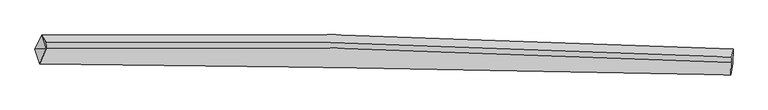
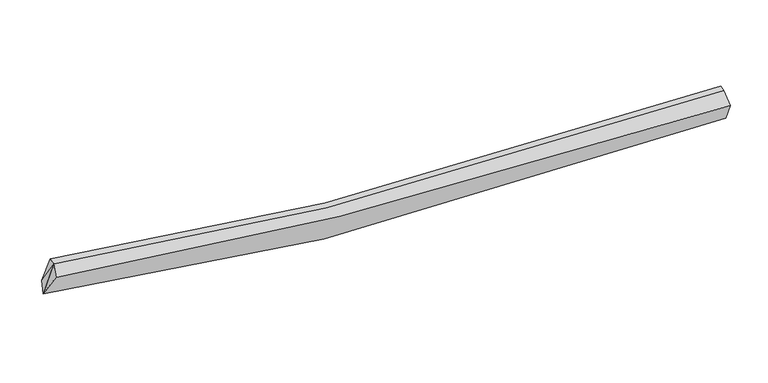
"""IFC4 building model written with IfcOpenShell, lengths in millimetres: proxy geometry."""

from ifc_helpers import new_model, si_unit, frame, origin, place, context, project, spatial, source, transform, mapped, element, save
from ifc_brep_helpers import plane_surface, spline_curve, spline_surface, advanced_brep


def generic_models_c0a5393c(model_context):
    return source(origin(), model_context, "Body", "AdvancedBrep", [
        advanced_brep(
        [(-7919.9698457, -1967.1959987, 3343.9109828), (-7748.8823986, -1607.2769914, 3445.4368712), (9611.2422752, -1968.0198419, 2381.1218941), (9598.0013105, -2328.9091709, 2263.5202583), (-7794.3011786, -2333.9416604, 3981.2680924), (9554.1085929, -2621.3959476, 2801.3071611), (-7639.7399957, -1955.035296, 4063.0270274), (9560.2602211, -2302.7696929, 3010.8785083), (-7634.004369, -1805.6584431, 4106.835267), (9565.6276457, -2162.9821786, 3051.8744512)],
        [
            (0, 1),
            (1, 2, spline_curve(3, [(-7748.8823986, -1607.2769914, 3445.4368712), (-5378.485870164, -1568.853497535, 2999.963670873), (-2987.32342928, -1567.530154768, 2678.742182044), (2779.962392445, -1653.077920101, 2207.757626532), (6175.508177108, -1774.648879455, 2174.207456316), (9611.2422752, -1968.0198419, 2381.1218941)], [4, 2, 4], [0.0, 24.03538564373816, 57.47224571131372])),
            (2, 3),
            (3, 0, spline_curve(3, [(9598.0013105, -2328.9091709, 2263.5202583), (6195.82393916, -2116.54051696, 1987.78008101), (2796.502505084, -1986.91508127, 1994.360517671), (-3041.440980981, -1906.33256547, 2490.932027323), (-5481.443266881, -1915.386943795, 2844.481833243), (-7919.9698457, -1967.1959987, 3343.9109828)], [4, 2, 4], [0.0, 33.43686006757556, 57.47224571131372])),
            (4, 0),
            (3, 5),
            (5, 4, spline_curve(3, [(9554.1085929, -2621.3959476, 2801.3071611), (6221.199547499, -2542.860723672, 2769.882111728), (2869.977839821, -2477.583989821, 2889.871444696), (-2921.675649291, -2388.173520946, 3356.368028703), (-5353.257198879, -2357.632159717, 3629.699006618), (-7794.3011786, -2333.9416604, 3981.2680924)], [4, 2, 4], [0.0, 33.40384292098358, 57.41549488130797])),
            (6, 4),
            (5, 7),
            (7, 6, spline_curve(3, [(9560.2602211, -2302.7696929, 3010.8785083), (6179.031510322, -2108.724517839, 2804.122096096), (2824.346722409, -1988.339302071, 2836.365647679), (-2896.158408862, -1908.026578143, 3302.586877023), (-5274.807026088, -1912.50032742, 3621.059498295), (-7639.7399957, -1955.035296, 4063.0270274)], [4, 2, 4], [0.0, 33.08982308067252, 56.87574846420688])),
            (8, 6),
            (7, 9),
            (9, 8, spline_curve(3, [(9565.6276457, -2162.9821786, 3051.8744512), (6184.299598009, -1971.52407896, 2844.359318668), (2829.61480994, -1851.138864035, 2876.602870358), (-2890.719577893, -1766.379398325, 3344.128210042), (-5269.245461438, -1767.656701895, 3663.538263781), (-7634.004369, -1805.6584431, 4106.835267)], [4, 2, 4], [0.0, 32.96713659732848, 56.664871375211206])),
            (1, 8),
            (9, 2),
            (1, 6),
            (6, 0),
        ],
        [
            spline_surface(3, 3, [[(-7919.9698457, -1967.1959987, 3343.9109828), (-5481.443266876, -1915.386943935, 2844.481832996), (-3041.440981364, -1906.332565737, 2490.93202768), (2796.502505616, -1986.915080899, 1994.360517175), (6195.823938824, -2116.540516527, 1987.780081027), (9598.0013105, -2328.9091709, 2263.5202583)], [(-7862.940696635, -1847.222996251, 3377.752945593), (-5447.124134477, -1799.87579519, 2896.309112284), (-3023.401797432, -1793.39842883, 2553.535412498), (2790.989134689, -1875.63602718, 2065.492886885), (6189.052018314, -2002.576637449, 2049.922539363), (9602.414965414, -2208.61272789, 2302.720803563)], [(-7805.911547665, -1727.249993849, 3411.594908407), (-5412.805002173, -1684.364646494, 2948.136391591), (-3005.362613495, -1680.464291929, 2616.138797359), (2785.475763767, -1764.356973466, 2136.625256637), (6182.280097761, -1888.612758402, 2112.064997709), (9606.828620286, -2088.31628491, 2341.921348837)], [(-7748.8823986, -1607.2769914, 3445.4368712), (-5378.485869774, -1568.853497749, 2999.963670879), (-2987.323429563, -1567.530155022, 2678.742182177), (2779.96239284, -1653.077919747, 2207.757626347), (6175.50817725, -1774.648879325, 2174.207456045), (9611.2422752, -1968.0198419, 2381.1218941)]], [4, 4], [4, 2, 4], [0.0, 1.2875724056625528], [0.0, 24.03538564373816, 57.47224571131372]),
            spline_surface(3, 3, [[(-7794.3011786, -2333.9416604, 3981.2680924), (-5353.257198649, -2357.632159332, 3629.699006247), (-2921.675649328, -2388.173520924, 3356.368028705), (2869.977839874, -2477.583989853, 2889.871444692), (6221.199547713, -2542.86072401, 2769.882111748), (9554.1085929, -2621.3959476, 2801.3071611)], [(-7836.19073431, -2211.693106516, 3768.815722558), (-5395.985888068, -2210.217087549, 3367.959948521), (-2961.597426646, -2227.559869206, 3067.889361709), (2845.486061815, -2314.027686879, 2591.367802199), (6212.74101141, -2400.753988191, 2509.181434822), (9568.739498759, -2523.900355375, 2622.044860147)], [(-7878.08028999, -2089.444552584, 3556.363352642), (-5438.714577457, -2062.802015718, 3106.220890722), (-3001.519204046, -2066.946217455, 2779.410694676), (2820.994283674, -2150.471383873, 2292.864159669), (6204.282475128, -2258.647252346, 2248.480757953), (9583.370404641, -2426.404763125, 2442.782559253)], [(-7919.9698457, -1967.1959987, 3343.9109828), (-5481.443266876, -1915.386943935, 2844.481832996), (-3041.440981364, -1906.332565737, 2490.93202768), (2796.502505616, -1986.915080899, 1994.360517175), (6195.823938824, -2116.540516527, 1987.780081027), (9598.0013105, -2328.9091709, 2263.5202583)]], [4, 4], [4, 2, 4], [0.0, 3.3001290189914876], [0.0, 24.011651960324397, 57.41549488130797]),
            spline_surface(3, 3, [[(-7639.7399957, -1955.035296, 4063.0270274), (-5274.807025966, -1912.500327462, 3621.059498356), (-2896.158408472, -1908.026577917, 3302.586877146), (2824.346721868, -1988.339302385, 2836.365647508), (6179.031509959, -2108.724517523, 2804.122095673), (9560.2602211, -2302.7696929, 3010.8785083)], [(-7691.260390013, -2081.337417475, 4035.774049072), (-5300.95708354, -2060.87760476, 3623.939334324), (-2904.664155451, -2068.075558909, 3320.51392767), (2839.55709451, -2151.420864864, 2854.20091324), (6193.087522527, -2253.436586332, 2792.708767724), (9558.20967835, -2408.978444447, 2941.021392593)], [(-7742.780784287, -2207.639538925, 4008.521070728), (-5327.107141075, -2209.254882034, 3626.819170278), (-2913.16990235, -2228.124539932, 3338.440978181), (2854.767467231, -2314.502427374, 2872.036178959), (6207.143535145, -2398.148655201, 2781.295439697), (9556.15913565, -2515.187196053, 2871.164276807)], [(-7794.3011786, -2333.9416604, 3981.2680924), (-5353.257198649, -2357.632159332, 3629.699006247), (-2921.675649328, -2388.173520924, 3356.368028705), (2869.977839874, -2477.583989853, 2889.871444692), (6221.199547713, -2542.86072401, 2769.882111748), (9554.1085929, -2621.3959476, 2801.3071611)]], [4, 4], [4, 2, 4], [0.0, 1.592511626204579], [0.0, 23.78592538353436, 56.87574846420688]),
            spline_surface(3, 3, [[(-7634.004369, -1805.6584431, 4106.835267), (-5269.245461707, -1767.656701936, 3663.538263493), (-2890.71957827, -1766.379398616, 3344.128210101), (2829.614810465, -1851.138863631, 2876.602870276), (6184.299598557, -1971.524078768, 2844.359318441), (9565.6276457, -2162.9821786, 3051.8744512)], [(-7635.916244546, -1855.450727397, 4092.232520444), (-5271.099316439, -1815.937910442, 3649.378675091), (-2892.532521662, -1813.595125059, 3330.28109912), (2827.858780942, -1896.872343225, 2863.19046269), (6182.543569033, -2017.257558363, 2830.946910855), (9563.838504176, -2209.578016709, 3038.209136903)], [(-7637.828120154, -1905.243011703, 4077.629773956), (-5272.953171234, -1864.219118957, 3635.219086757), (-2894.345465081, -1860.810851474, 3316.433988128), (2826.102751391, -1942.605822791, 2849.778055094), (6180.787539482, -2062.991037929, 2817.534503259), (9562.049362624, -2256.173854791, 3024.543822597)], [(-7639.7399957, -1955.035296, 4063.0270274), (-5274.807025966, -1912.500327462, 3621.059498356), (-2896.158408472, -1908.026577917, 3302.586877146), (2824.346721868, -1988.339302385, 2836.365647508), (6179.031509959, -2108.724517523, 2804.122095673), (9560.2602211, -2302.7696929, 3010.8785083)]], [4, 4], [4, 2, 4], [0.0, 0.47505251705593543], [0.0, 23.697734777882733, 56.664871375211206]),
            spline_surface(3, 3, [[(-7748.8823986, -1607.2769914, 3445.4368712), (-5378.485869774, -1568.853497749, 2999.963670879), (-2987.323429563, -1567.530155022, 2678.742182177), (2779.96239284, -1653.077919747, 2207.757626347), (6175.50817725, -1774.648879325, 2174.207456045), (9611.2422752, -1968.0198419, 2381.1218941)], [(-7710.589722096, -1673.404141962, 3665.903003132), (-5342.072400448, -1635.121232473, 3221.155201749), (-2955.122145808, -1633.813236212, 2900.537524812), (2796.513198706, -1719.098234367, 2430.706040983), (6178.43865102, -1840.273945818, 2397.59141017), (9596.037398701, -2033.007287479, 2604.706079794)], [(-7672.297045504, -1739.531292538, 3886.369135068), (-5305.658931033, -1701.388967212, 3442.346732622), (-2922.920862026, -1700.096317426, 3122.332867466), (2813.064004599, -1785.118549011, 2653.654455639), (6181.369124787, -1905.899012275, 2620.975364315), (9580.832522199, -2097.994733021, 2828.290265506)], [(-7634.004369, -1805.6584431, 4106.835267), (-5269.245461707, -1767.656701936, 3663.538263493), (-2890.71957827, -1766.379398616, 3344.128210101), (2829.614810465, -1851.138863631, 2876.602870276), (6184.299598557, -1971.524078768, 2844.359318441), (9565.6276457, -2162.9821786, 3051.8744512)]], [4, 4], [4, 2, 4], [0.0, 2.29480099742184], [0.0, 23.80812659895877, 56.92883493125485]),
            plane_surface(frame((9577.8480091, -2276.8153664, 2701.7404546), z_axis=(0.9971950447339945, -0.05360776459147999, 0.052232655814838644), x_axis=(-0.016128256369970832, -0.835370037282082, -0.5494513446682949))),
            plane_surface(frame((-7674.2089211, -1789.3235768, 3871.7663885), z_axis=(-0.9857543799386722, -0.011363265300004331, 0.16780696836974823), x_axis=(0.15219480004335065, -0.484935316013492, 0.8612052497068624))),
            plane_surface(frame((-7784.67034, -2085.390985, 3796.0687009), z_axis=(-0.8932713795107075, 0.29032644998177315, 0.3431862395085486), x_axis=(0.16845619230324133, -0.49161480833955756, 0.8543637348904467))),
            plane_surface(frame((-7769.5307467, -1843.1694287, 3617.4582938), z_axis=(-0.883236806610301, 0.32430568722442854, 0.33870129123274545), x_axis=(-0.4160260418348263, -0.8751996856791314, -0.24687616876158178))),
        ],
        [
            (0, [[1, 2, 3, 4]]),
            (1, [[5, -4, 6, 7]]),
            (2, [[8, -7, 9, 10]]),
            (3, [[11, -10, 12, 13]]),
            (4, [[14, -13, 15, -2]]),
            (5, [[-9, -6, -3, -15, -12]]),
            (6, [[16, -11, -14]]),
            (7, [[-5, -8, 17]]),
            (8, [[-1, -17, -16]]),
        ],
    ),
    ])


if __name__ == "__main__":
    model = new_model("IFC4")
    model_context = context("Model", 3, world=origin())
    ifc_project = project(units=[si_unit("LENGTHUNIT", "METRE", prefix="MILLI")], contexts=[model_context])
    site = spatial("IfcSite", under=ifc_project)
    building = spatial("IfcBuilding", under=site)
    placement = place(None, origin())
    generic_models_shape = generic_models_c0a5393c(model_context)
    element("IfcBuildingElementProxy", 1, Name="Generic Models", at=placement, inside=building, context=model_context, shape_type="MappedRepresentation", body=[
        mapped(generic_models_shape, transform((0.0, 0.0, 0.0), x_axis=(1.0, 0.0, 0.0), y_axis=(0.0, 1.0, 0.0), z_axis=(0.0, 0.0, 1.0))),
    ])
    save(model, "model.ifc")
